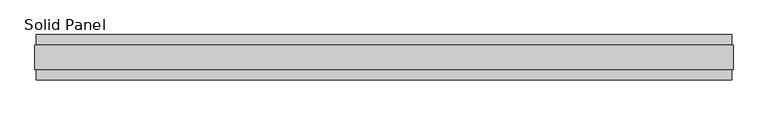
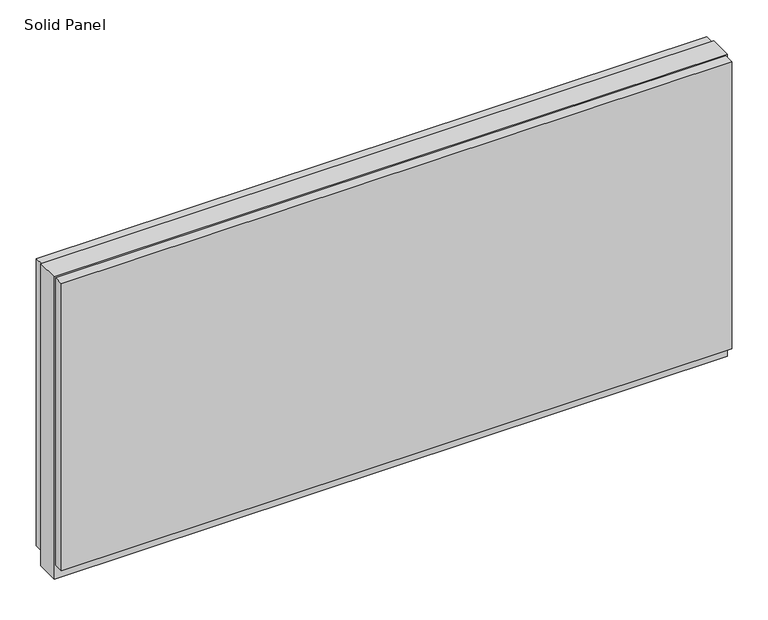
"""IFC4 building model written with IfcOpenShell, lengths in millimetres: plate geometry, Solid Panel."""

from ifc_helpers import new_model, si_unit, frame, origin, origin_with_axes, place, context, project, spatial, polyline, outline, extrude, source, transform, mapped, element, save


def solid_panel_070cee86(model_context):
    return source(origin(), model_context, "Body", "SweptSolid", [
        extrude(outline(polyline([(746.3028, -48.4531867), (-746.3028, -48.4531867), (-746.3028, -25.9961), (746.3028, -25.9961), (746.3028, -48.4531867)])), frame((0.0, 0.0, 32.004), z_axis=(0.0, 0.0, 1.0), x_axis=(1.0, 0.0, 0.0)), (0.0, 0.0, 1.0), 676.1861),
        extrude(outline(polyline([(746.3028, 25.9977), (-746.3028, 25.9977), (-746.3028, 48.4547867), (746.3028, 48.4547867), (746.3028, 25.9977)])), frame((0.0, 0.0, 32.004), z_axis=(0.0, 0.0, 1.0), x_axis=(1.0, 0.0, 0.0)), (0.0, 0.0, 1.0), 676.1861),
        extrude(outline(polyline([(749.3, -25.9961), (-749.3, -25.9961), (-749.3, 25.9977), (749.3, 25.9977), (749.3, -25.9961)])), origin_with_axes(), (0.0, 0.0, 1.0), 711.2),
    ])


if __name__ == "__main__":
    model = new_model("IFC4")
    model_context = context("Model", 3, world=origin())
    ifc_project = project(units=[si_unit("LENGTHUNIT", "METRE", prefix="MILLI")], contexts=[model_context])
    site = spatial("IfcSite", under=ifc_project)
    building = spatial("IfcBuilding", under=site)
    placement = place(None, origin())
    solid_panel_shape = solid_panel_070cee86(model_context)
    element("IfcPlate", 1, ObjectType="Solid Panel", at=placement, inside=building, context=model_context, shape_type="MappedRepresentation", body=[
        mapped(solid_panel_shape, transform((0.0, 0.0, 0.0), x_axis=(1.0, 0.0, 0.0), y_axis=(0.0, 1.0, 0.0), z_axis=(0.0, 0.0, 1.0))),
    ])
    save(model, "model.ifc")
